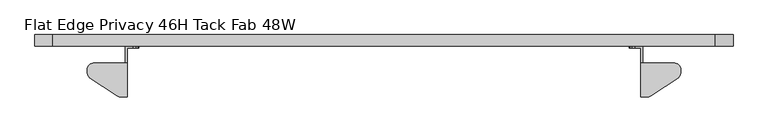
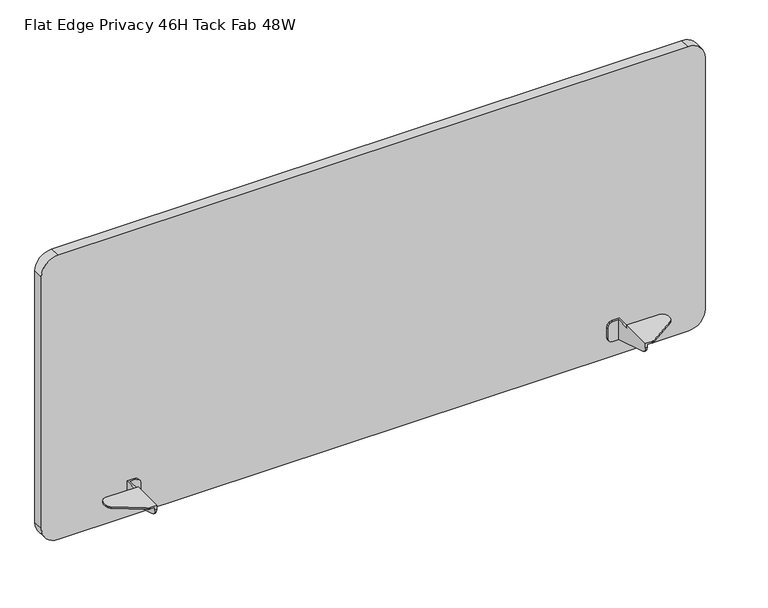
"""IFC4 building model written with IfcOpenShell, lengths in millimetres: furniture geometry, Flat Edge Privacy 46H Tack Fab 48W."""

from ifc_helpers import new_model, si_unit, point, frame, frame_2d, origin, place, context, project, spatial, polyline, circle_curve, trimmed, segment, composite_curve, outline, extrude, faceted_brep, source, transform, mapped, element, save


def flat_edge_privacy_46h_tack_fab_48w_836efd77(model_context):
    return source(origin(), model_context, "Body", "SolidModel", [
        faceted_brep([(1040.0029971, 0.0, 950.0614134), (1040.0029971, -3.0479994, 950.0614134), (1036.955, -3.0479994, 950.0614134), (1027.1760002, -3.0479994, 950.0614134), (1027.1760002, 0.0, 950.0614134), (1036.955, -28.1940001, 992.4031603), (1036.955, -84.8360008, 992.4031603), (1048.0583012, -84.8360008, 992.4031603), (1049.902956, -84.6556703, 992.4031603), (1051.6777569, -84.1215187, 992.4031603), (1053.3155021, -83.2537619, 992.4031603), (1098.9812013, -53.0282948, 992.4031603), (1101.2637927, -50.905943, 992.4031603), (1102.7390478, -48.1603598, 992.4031603), (1103.2490004, -45.0855338, 992.4031603), (1103.2490004, -37.7190004, 992.4031603), (1101.9728973, -32.9564998, 992.4031603), (1098.4865004, -29.470108, 992.4031603), (1093.7240004, -28.1940001, 992.4031603), (1036.955, -84.8360008, 984.771722), (1040.0029971, -84.8360008, 984.771722), (1040.0029971, -84.8360008, 989.3551632), (1048.0583012, -84.8360008, 989.3551632), (1022.4135002, 0.0, 951.3374983), (1018.9271033, 0.0, 954.8239134), (1017.6510002, 0.0, 959.5864134), (1017.6510002, 0.0, 977.7981651), (1018.9271033, 0.0, 982.5606651), (1022.4135002, 0.0, 986.0470802), (1027.1760002, 0.0, 987.3231651), (1040.0029971, 0.0, 987.3231651), (1040.0029971, -28.1940001, 989.3551632), (1093.7240004, -28.1940001, 989.3551632), (1098.4865004, -29.470108, 989.3551632), (1101.9728973, -32.9564998, 989.3551632), (1103.2490004, -37.7190004, 989.3551632), (1103.2490004, -45.0855338, 989.3551632), (1102.7390478, -48.1603598, 989.3551632), (1101.2637927, -50.905943, 989.3551632), (1098.9812013, -53.0282948, 989.3551632), (1053.3155021, -83.2537619, 989.3551632), (1051.6777569, -84.1215187, 989.3551632), (1049.902956, -84.6556703, 989.3551632), (1040.0029971, -83.485134, 979.0719973), (1040.0029971, -79.719916, 974.5847712), (1040.0029971, -74.3413335, 972.2647093), (1040.0029971, -28.1940001, 987.3231651), (1036.955, -28.1940001, 987.3231651), (1036.955, -74.3413335, 972.2647093), (1036.955, -79.719916, 974.5847712), (1036.955, -83.485134, 979.0719973), (1036.955, -3.0479994, 987.3231651), (1027.1760002, -3.0479994, 987.3231651), (1022.4135002, -3.0479994, 986.0470802), (1018.9271033, -3.0479994, 982.5606651), (1017.6510002, -3.0479994, 977.7981651), (1017.6510002, -3.0479994, 959.5864134), (1018.9271033, -3.0479994, 954.8239134), (1022.4135002, -3.0479994, 951.3374983)], [[[0, 1, 2, 3, 4]], [[5, 6, 7, 8, 9, 10, 11, 12, 13, 14, 15, 16, 17, 18]], [[6, 19, 20, 21, 22, 7]], [[4, 23, 24, 25, 26, 27, 28, 29, 30, 0]], [[31, 32, 33, 34, 35, 36, 37, 38, 39, 40, 41, 42, 22, 21]], [[21, 20, 43, 44, 45, 1, 0, 30, 46, 31]], [[5, 18, 32, 31, 46, 47]], [[17, 33, 32, 18]], [[16, 34, 33, 17]], [[15, 35, 34, 16]], [[14, 36, 35, 15]], [[13, 37, 36, 14]], [[12, 38, 37, 13]], [[11, 39, 38, 12]], [[10, 40, 39, 11]], [[9, 41, 40, 10]], [[8, 42, 41, 9]], [[7, 22, 42, 8]], [[2, 48, 49, 50, 19, 6, 5, 47, 51]], [[30, 29, 52, 51, 47, 46]], [[28, 53, 52, 29]], [[27, 54, 53, 28]], [[26, 55, 54, 27]], [[25, 56, 55, 26]], [[24, 57, 56, 25]], [[23, 58, 57, 24]], [[4, 3, 58, 23]], [[51, 52, 53, 54, 55, 56, 57, 58, 3, 2]], [[48, 2, 1, 45]], [[45, 44, 49, 48]], [[44, 43, 50, 49]], [[43, 20, 19, 50]]]),
        faceted_brep([(176.1490029, 0.0, 950.0614134), (188.9759998, 0.0, 950.0614134), (188.9759998, -3.0479994, 950.0614134), (179.197, -3.0479994, 950.0614134), (176.1490029, -3.0479994, 950.0614134), (179.197, -28.1940001, 992.4031603), (122.4279996, -28.1940001, 992.4031603), (117.6654996, -29.470108, 992.4031603), (114.1791027, -32.9564998, 992.4031603), (112.9029996, -37.7190004, 992.4031603), (112.9029996, -45.0855338, 992.4031603), (113.4129522, -48.1603598, 992.4031603), (114.8882073, -50.905943, 992.4031603), (117.1707987, -53.0282948, 992.4031603), (162.8364979, -83.2537619, 992.4031603), (164.4742431, -84.1215187, 992.4031603), (166.249044, -84.6556703, 992.4031603), (168.0936988, -84.8360008, 992.4031603), (179.197, -84.8360008, 992.4031603), (168.0936988, -84.8360008, 989.3551632), (176.1490029, -84.8360008, 989.3551632), (176.1490029, -84.8360008, 984.771722), (179.197, -84.8360008, 984.771722), (176.1490029, 0.0, 987.3231651), (188.9759998, 0.0, 987.3231651), (193.7384998, 0.0, 986.0470802), (197.2248967, 0.0, 982.5606651), (198.5009998, 0.0, 977.7981651), (198.5009998, 0.0, 959.5864134), (197.2248967, 0.0, 954.8239134), (193.7384998, 0.0, 951.3374983), (176.1490029, -28.1940001, 989.3551632), (166.249044, -84.6556703, 989.3551632), (164.4742431, -84.1215187, 989.3551632), (162.8364979, -83.2537619, 989.3551632), (117.1707987, -53.0282948, 989.3551632), (114.8882073, -50.905943, 989.3551632), (113.4129522, -48.1603598, 989.3551632), (112.9029996, -45.0855338, 989.3551632), (112.9029996, -37.7190004, 989.3551632), (114.1791027, -32.9564998, 989.3551632), (117.6654996, -29.470108, 989.3551632), (122.4279996, -28.1940001, 989.3551632), (176.1490029, -28.1940001, 987.3231651), (176.1490029, -74.3413335, 972.2647093), (176.1490029, -79.719916, 974.5847712), (176.1490029, -83.485134, 979.0719973), (179.197, -28.1940001, 987.3231651), (179.197, -3.0479994, 987.3231651), (179.197, -83.485134, 979.0719973), (179.197, -79.719916, 974.5847712), (179.197, -74.3413335, 972.2647093), (188.9759998, -3.0479994, 987.3231651), (193.7384998, -3.0479994, 986.0470802), (197.2248967, -3.0479994, 982.5606651), (198.5009998, -3.0479994, 977.7981651), (198.5009998, -3.0479994, 959.5864134), (197.2248967, -3.0479994, 954.8239134), (193.7384998, -3.0479994, 951.3374983)], [[[0, 1, 2, 3, 4]], [[5, 6, 7, 8, 9, 10, 11, 12, 13, 14, 15, 16, 17, 18]], [[18, 17, 19, 20, 21, 22]], [[1, 0, 23, 24, 25, 26, 27, 28, 29, 30]], [[31, 20, 19, 32, 33, 34, 35, 36, 37, 38, 39, 40, 41, 42]], [[20, 31, 43, 23, 0, 4, 44, 45, 46, 21]], [[5, 47, 43, 31, 42, 6]], [[7, 6, 42, 41]], [[8, 7, 41, 40]], [[9, 8, 40, 39]], [[10, 9, 39, 38]], [[11, 10, 38, 37]], [[12, 11, 37, 36]], [[13, 12, 36, 35]], [[14, 13, 35, 34]], [[15, 14, 34, 33]], [[16, 15, 33, 32]], [[17, 16, 32, 19]], [[3, 48, 47, 5, 18, 22, 49, 50, 51]], [[23, 43, 47, 48, 52, 24]], [[25, 24, 52, 53]], [[26, 25, 53, 54]], [[27, 26, 54, 55]], [[28, 27, 55, 56]], [[29, 28, 56, 57]], [[30, 29, 57, 58]], [[1, 30, 58, 2]], [[48, 3, 2, 58, 57, 56, 55, 54, 53, 52]], [[51, 44, 4, 3]], [[44, 51, 50, 45]], [[45, 50, 49, 46]], [[46, 49, 22, 21]]]),
        extrude(outline(composite_curve([segment(trimmed(circle_curve(frame_2d((950.8233504, 55.372)), 29.972), [point((950.8233504, 25.4))], [point((920.8513504, 55.372))], False, "CARTESIAN"), True, "CONTINUOUS"), segment(polyline([(920.8513504, 55.372), (920.8513504, 1160.78)]), True, "CONTINUOUS"), segment(trimmed(circle_curve(frame_2d((950.8233504, 1160.78)), 29.972), [point((920.8513504, 1160.78))], [point((950.8233504, 1190.752))], False, "CARTESIAN"), True, "CONTINUOUS"), segment(polyline([(950.8233504, 1190.752), (1418.9202, 1190.752)]), True, "CONTINUOUS"), segment(trimmed(circle_curve(frame_2d((1418.9202, 1160.78)), 29.972), [point((1418.9202, 1190.752))], [point((1448.8922, 1160.78))], False, "CARTESIAN"), True, "CONTINUOUS"), segment(polyline([(1448.8922, 1160.78), (1448.8922, 55.372)]), True, "CONTINUOUS"), segment(trimmed(circle_curve(frame_2d((1418.9202, 55.372)), 29.972), [point((1448.8922, 55.372))], [point((1418.9202, 25.4))], False, "CARTESIAN"), True, "CONTINUOUS"), segment(polyline([(1418.9202, 25.4), (950.8233504, 25.4)]), True, "CONTINUOUS")], self_intersect=False)), frame((0.0, 0.0, 0.0), z_axis=(0.0, 1.0, 0.0), x_axis=(0.0, 0.0, 1.0)), (0.0, 0.0, 1.0), 19.05),
    ])


if __name__ == "__main__":
    model = new_model("IFC4")
    model_context = context("Model", 3, world=origin())
    ifc_project = project(units=[si_unit("LENGTHUNIT", "METRE", prefix="MILLI")], contexts=[model_context])
    site = spatial("IfcSite", under=ifc_project)
    building = spatial("IfcBuilding", under=site)
    placement = place(None, origin())
    flat_edge_privacy_46h_tack_fab_48w_shape = flat_edge_privacy_46h_tack_fab_48w_836efd77(model_context)
    element("IfcFurniture", 1, ObjectType="Flat Edge Privacy 46H Tack Fab 48W", at=placement, inside=building, context=model_context, shape_type="MappedRepresentation", body=[
        mapped(flat_edge_privacy_46h_tack_fab_48w_shape, transform((0.0, 0.0, 0.0), x_axis=(1.0, 0.0, 0.0), y_axis=(0.0, 1.0, 0.0), z_axis=(0.0, 0.0, 1.0))),
    ])
    save(model, "model.ifc")
